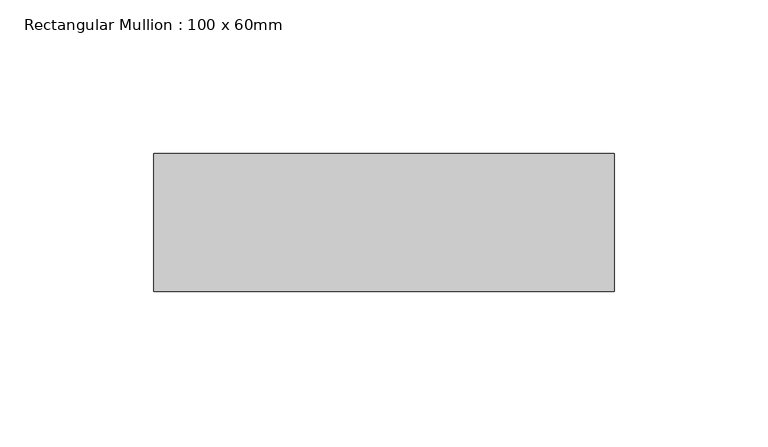
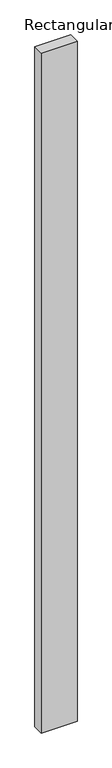
"""IFC4 building model written with IfcOpenShell, lengths in millimetres: member geometry, Rectangular Mullion : 100 x 60mm."""

from ifc_helpers import new_model, si_unit, frame, origin, place, context, project, spatial, polyline, outline, extrude, source, transform, mapped, element, save


def rectangular_mullion_100_x_60mm_0de28734(model_context):
    return source(origin(), model_context, "Body", "SweptSolid", [
        extrude(outline(polyline([(-75.0, 30.0), (75.0, 30.0), (75.0, -15.0), (-75.0, -15.0), (-75.0, 30.0)])), frame((0.0, 0.0, -3000.0), z_axis=(0.0, 0.0, 1.0), x_axis=(1.0, 0.0, 0.0)), (0.0, 0.0, 1.0), 3000.0),
    ])


if __name__ == "__main__":
    model = new_model("IFC4")
    model_context = context("Model", 3, world=origin())
    ifc_project = project(units=[si_unit("LENGTHUNIT", "METRE", prefix="MILLI")], contexts=[model_context])
    site = spatial("IfcSite", under=ifc_project)
    building = spatial("IfcBuilding", under=site)
    placement = place(None, origin())
    rectangular_mullion_100_x_60mm_shape = rectangular_mullion_100_x_60mm_0de28734(model_context)
    element("IfcMember", 1, ObjectType="Rectangular Mullion : 100 x 60mm", at=placement, inside=building, context=model_context, shape_type="MappedRepresentation", body=[
        mapped(rectangular_mullion_100_x_60mm_shape, transform((0.0, 0.0, 0.0), x_axis=(1.0, 0.0, 0.0), y_axis=(0.0, 1.0, 0.0), z_axis=(0.0, 0.0, 1.0))),
    ])
    save(model, "model.ifc")
